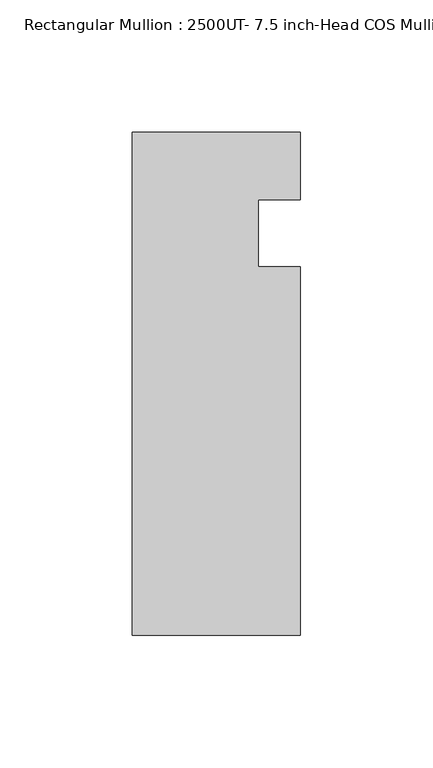
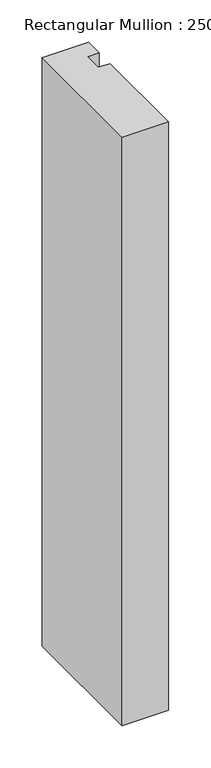
"""IFC4 building model written with IfcOpenShell, lengths in millimetres: member geometry, Rectangular Mullion : 2500UT- 7.5 inch-Head COS Mullion."""

from ifc_helpers import new_model, si_unit, frame, origin, place, context, project, spatial, polyline, outline, extrude, source, transform, mapped, element, save


def rectangular_mullion_2500ut_7_5_inch_head_cos_mullion_9141283a(model_context):
    return source(origin(), model_context, "Body", "SweptSolid", [
        extrude(outline(polyline([(31.75, -151.892), (-31.75, -151.892), (-31.75, 38.1), (31.7734556, 38.1), (31.7734556, 12.7), (15.8749999, 12.7), (15.8749999, -12.7), (31.75, -12.7), (31.75, -151.892)])), frame((0.0, 0.0, -850.9), z_axis=(0.0, 0.0, 1.0), x_axis=(1.0, 0.0, 0.0)), (0.0, 0.0, 1.0), 850.9),
    ])


if __name__ == "__main__":
    model = new_model("IFC4")
    model_context = context("Model", 3, world=origin())
    ifc_project = project(units=[si_unit("LENGTHUNIT", "METRE", prefix="MILLI")], contexts=[model_context])
    site = spatial("IfcSite", under=ifc_project)
    building = spatial("IfcBuilding", under=site)
    placement = place(None, origin())
    rectangular_mullion_2500ut_7_5_inch_head_cos_mullion_shape = rectangular_mullion_2500ut_7_5_inch_head_cos_mullion_9141283a(model_context)
    element("IfcMember", 1, ObjectType="Rectangular Mullion : 2500UT- 7.5 inch-Head COS Mullion", at=placement, inside=building, context=model_context, shape_type="MappedRepresentation", body=[
        mapped(rectangular_mullion_2500ut_7_5_inch_head_cos_mullion_shape, transform((0.0, 0.0, 0.0), x_axis=(1.0, 0.0, 0.0), y_axis=(0.0, 1.0, 0.0), z_axis=(0.0, 0.0, 1.0))),
    ])
    save(model, "model.ifc")
